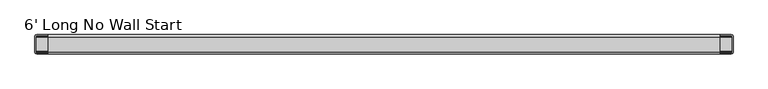
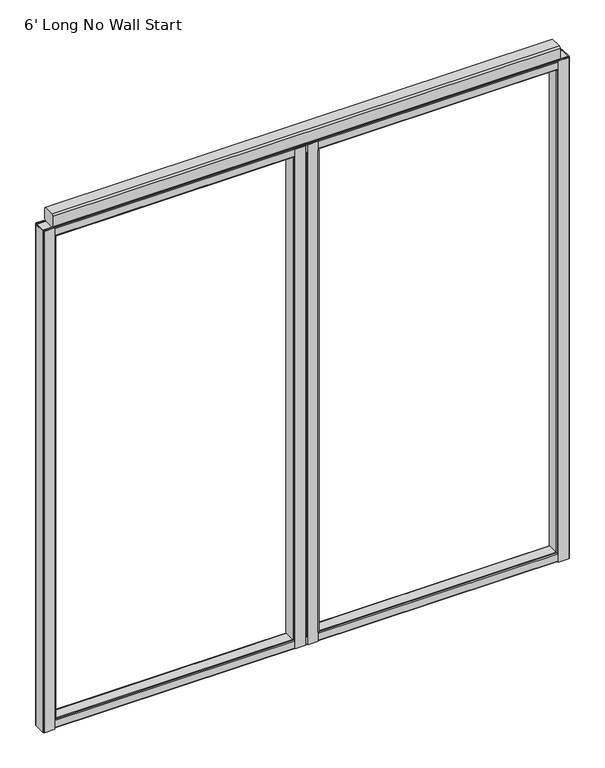
"""IFC4 building model written with IfcOpenShell, lengths in millimetres: furniture geometry, 6' Long No Wall Start."""

import ifcopenshell
import ifcopenshell.guid

model = None  # the IFC model being written
_history = None  # IfcOwnerHistory: only IFC2X3 demands one
_inside = {}  # id of a spatial element -> (the spatial element, [elements in it])
_under = {}  # id of a project, library or spatial element -> (it, [spatial elements below it])
_declared = {}  # id of a project -> (the project, [libraries it declares])
_typed = {}  # id of a type object -> (the type object, [elements of that type])
_made_of = {}  # id of a material, layer set ... -> (it, [elements and type objects made of it])


def new_model(schema):
    """Start an empty IFC model of exactly this schema.

    Asked for "IFC4X3", IfcOpenShell would pick the latest addendum, in which some entities
    have other attributes; the version numbers below select the first issue.
    IFC2X3 requires an IfcOwnerHistory on every rooted entity: one is made here for all.
    """
    global model, _history
    if schema == "IFC4X3":
        model = ifcopenshell.file(schema_version=(4, 3, 0, 0))
    else:
        model = ifcopenshell.file(schema=schema)
    _inside.clear()
    _under.clear()
    _declared.clear()
    _typed.clear()
    _made_of.clear()
    _history = None
    if model.schema == "IFC2X3":
        org = make("IfcOrganization", Name="unknown")
        user = make(
            "IfcPersonAndOrganization",
            ThePerson=make("IfcPerson", FamilyName="unknown"),
            TheOrganization=org,
        )
        app = make(
            "IfcApplication",
            ApplicationDeveloper=org,
            Version="unknown",
            ApplicationFullName="unknown",
            ApplicationIdentifier="unknown",
        )
        _history = make(
            "IfcOwnerHistory",
            OwningUser=user,
            OwningApplication=app,
            ChangeAction="ADDED",
            CreationDate=0,
        )
    return model


def make(cls, **values):
    """One entity of the class cls with the attributes given. An attribute that is None is left unset."""
    return model.create_entity(
        cls, **{name: value for name, value in values.items() if value is not None}
    )


def rooted(cls, **values):
    """An entity with a GlobalId (a new one), such as an element, a storey or a relation."""
    return make(cls, GlobalId=ifcopenshell.guid.new(), OwnerHistory=_history, **values)


def si_unit(unit_type, name, prefix=None):
    """IfcSIUnit, for example si_unit("LENGTHUNIT", "METRE", prefix="MILLI")."""
    return make("IfcSIUnit", UnitType=unit_type, Prefix=prefix, Name=name)


def assignment(units):
    """IfcUnitAssignment: the units of a project."""
    return None if units is None else make("IfcUnitAssignment", Units=units)


def point(xyz):
    """IfcCartesianPoint."""
    return None if xyz is None else make("IfcCartesianPoint", Coordinates=xyz)


def direction(xyz):
    """IfcDirection."""
    return None if xyz is None else make("IfcDirection", DirectionRatios=xyz)


def frame(location, z_axis=None, x_axis=None):
    """IfcAxis2Placement3D, a coordinate frame: its origin and axes. An axis left out is left unset."""
    return make(
        "IfcAxis2Placement3D",
        Location=point(location),
        Axis=direction(z_axis),
        RefDirection=direction(x_axis),
    )


def origin():
    """The frame at (0, 0, 0) with its axes left unset."""
    return frame((0.0, 0.0, 0.0))


def place(relative_to, where):
    """IfcLocalPlacement: puts the frame where relative to a parent placement (None: the world)."""
    return make(
        "IfcLocalPlacement", PlacementRelTo=relative_to, RelativePlacement=where
    )


def context(
    kind, dimensions, precision=None, world=None, true_north=None, identifier=None
):
    """IfcGeometricRepresentationContext, for example the 3D "Model" context."""
    return make(
        "IfcGeometricRepresentationContext",
        ContextIdentifier=identifier,
        ContextType=kind,
        CoordinateSpaceDimension=dimensions,
        Precision=precision,
        WorldCoordinateSystem=world,
        TrueNorth=true_north,
    )


def project(units=None, contexts=None):
    """IfcProject with its units and contexts."""
    return rooted(
        "IfcProject",
        Name="project",
        RepresentationContexts=contexts,
        UnitsInContext=assignment(units),
    )


def spatial(cls, under=None, at=None, **own):
    """A site, building, storey or space (cls), placed at a placement, below another one or the project."""
    s = rooted(cls, ObjectPlacement=at, **own)
    if under is not None:
        _under.setdefault(under.id(), (under, []))[1].append(s)
    return s


def polyline(points):
    """IfcPolyline through the points."""
    return make("IfcPolyline", Points=[point(p) for p in points])


def outline(outer, holes=None, kind="AREA"):
    """IfcArbitraryClosedProfileDef: a profile drawn as a closed curve; with holes, ...WithVoids."""
    if holes is None:
        return make("IfcArbitraryClosedProfileDef", ProfileType=kind, OuterCurve=outer)
    return make(
        "IfcArbitraryProfileDefWithVoids",
        ProfileType=kind,
        OuterCurve=outer,
        InnerCurves=holes,
    )


def extrude(swept, where, along, depth):
    """IfcExtrudedAreaSolid: the profile swept, set in the frame where, extruded along a direction by depth."""
    return make(
        "IfcExtrudedAreaSolid",
        SweptArea=swept,
        Position=where,
        ExtrudedDirection=direction(along),
        Depth=depth,
    )


def faces_of(points, faces, orient=None, outer=None):
    """IfcFace entities. A face is a list of loops; a loop is a list of indices into points, from 0.

    orient and outer hold one flag for each loop. By default every Orientation is true, the
    first loop of a face is its IfcFaceOuterBound and the others are IfcFaceBound.
    """
    made = []
    for i, loops in enumerate(faces):
        bounds = []
        for j, loop in enumerate(loops):
            is_outer = j == 0 if outer is None else outer[i][j]
            bounds.append(
                make(
                    "IfcFaceOuterBound" if is_outer else "IfcFaceBound",
                    Bound=make("IfcPolyLoop", Polygon=[points[k] for k in loop]),
                    Orientation=True if orient is None else orient[i][j],
                )
            )
        made.append(make("IfcFace", Bounds=bounds))
    return made


def faceted_brep(points, faces, orient=None, outer=None, voids=None):
    """IfcFacetedBrep: a solid bounded by flat faces; with voids (closed shells), ...WithVoids."""
    shared = [point(p) for p in points]
    hull = make("IfcClosedShell", CfsFaces=faces_of(shared, faces, orient, outer))
    if voids is None:
        return make("IfcFacetedBrep", Outer=hull)
    return make(
        "IfcFacetedBrepWithVoids",
        Outer=hull,
        Voids=[
            make(cls, CfsFaces=faces_of(shared, fs, o, b)) for cls, fs, o, b in voids
        ],
    )


def shape(context_of_items, identifier, shape_type, items):
    """IfcShapeRepresentation: the items that make up one representation, for example the "Body"."""
    return make(
        "IfcShapeRepresentation",
        ContextOfItems=context_of_items,
        RepresentationIdentifier=identifier,
        RepresentationType=shape_type,
        Items=items,
    )


def source(mapping_origin, context_of_items, identifier, shape_type, items):
    """IfcRepresentationMap: a shape defined once, which mapped items show again and again."""
    return make(
        "IfcRepresentationMap",
        MappingOrigin=mapping_origin,
        MappedRepresentation=shape(context_of_items, identifier, shape_type, items),
    )


def transform(
    local_origin,
    x_axis=None,
    y_axis=None,
    z_axis=None,
    scale=None,
    scale2=None,
    scale3=None,
    uniform=True,
):
    """IfcCartesianTransformationOperator3D, or its non-uniform kind. x_axis, y_axis, z_axis: its Axis1, 2, 3."""
    if uniform:
        return make(
            "IfcCartesianTransformationOperator3D",
            Axis1=direction(x_axis),
            Axis2=direction(y_axis),
            LocalOrigin=point(local_origin),
            Scale=scale,
            Axis3=direction(z_axis),
        )
    return make(
        "IfcCartesianTransformationOperator3DnonUniform",
        Axis1=direction(x_axis),
        Axis2=direction(y_axis),
        LocalOrigin=point(local_origin),
        Scale=scale,
        Axis3=direction(z_axis),
        Scale2=scale2,
        Scale3=scale3,
    )


def mapped(mapping_source, mapping_target):
    """IfcMappedItem: shows the shape of a source again, moved by a transform."""
    return make(
        "IfcMappedItem", MappingSource=mapping_source, MappingTarget=mapping_target
    )


def made_of(thing, what):
    """Note that an element or type object is made of a material, layer set ...; save() writes the relation."""
    if what is not None:
        _made_of.setdefault(what.id(), (what, []))[1].append(thing)
    return thing


def element(
    cls,
    number,
    at=None,
    inside=None,
    cuts=None,
    type_object=None,
    material=None,
    context=None,
    identifier="Body",
    shape_type=None,
    held_by="IfcProductDefinitionShape",
    body=None,
    shapes=None,
    **own,
):
    """One element of the class cls, such as IfcWall. Its Tag is "e" and its number.

    at: its placement. inside: the storey or other place that contains it. cuts: it is an
    opening in that element (IfcRelVoidsElement). A single representation is given by context,
    identifier, shape_type and body (its items); several are given by shapes. held_by: the class
    of the entity that holds the representations. save() writes the other relations.
    """
    e = rooted(cls, Tag="e%d" % number, ObjectPlacement=at, **own)
    if body is not None:
        shapes = [shape(context, identifier, shape_type, body)]
    if shapes is not None:
        e.Representation = make(held_by, Representations=shapes)
    if inside is not None:
        _inside.setdefault(inside.id(), (inside, []))[1].append(e)
    if cuts is not None:
        rooted(
            "IfcRelVoidsElement", RelatingBuildingElement=cuts, RelatedOpeningElement=e
        )
    if type_object is not None:
        _typed.setdefault(type_object.id(), (type_object, []))[1].append(e)
    return made_of(e, material)


def aggregate(whole, parts):
    """IfcRelAggregates: a whole, such as a stair, and the parts it consists of."""
    return rooted("IfcRelAggregates", RelatingObject=whole, RelatedObjects=parts)


def save(model, path):
    """Write the relations noted so far, then the file.

    IfcRelAggregates (storeys below a building ...), IfcRelContainedInSpatialStructure (elements
    in a storey), IfcRelDefinesByType, IfcRelAssociatesMaterial and IfcRelDeclares: one each for
    every whole, place, type object, material and project.
    """
    for whole, parts in _under.values():
        aggregate(whole, parts)
    for where, things in _inside.values():
        rooted(
            "IfcRelContainedInSpatialStructure",
            RelatedElements=things,
            RelatingStructure=where,
        )
    for kind, things in _typed.values():
        rooted("IfcRelDefinesByType", RelatedObjects=things, RelatingType=kind)
    for what, things in _made_of.values():
        rooted("IfcRelAssociatesMaterial", RelatedObjects=things, RelatingMaterial=what)
    for by, libraries in _declared.values():
        rooted("IfcRelDeclares", RelatingContext=by, RelatedDefinitions=libraries)
    model.write(path)


def furniture_6_long_no_wall_start_e1e6c13e(model_context):
    return source(origin(), model_context, "Body", "SolidModel", [
        faceted_brep([(909.9042, 25.4, 1937.6408515), (874.4458, 25.4, 1937.6408515), (874.4458, 23.1181008, 1937.6408515), (874.8651471, 23.2918, 1937.6408515), (909.4848529, 23.2918, 1937.6408515), (909.9042, 23.1181008, 1937.6408515), (874.4458, -25.4, 1937.6408515), (909.9042, -25.4, 1937.6408515), (909.9042, -23.1181008, 1937.6408515), (909.4848529, -23.2918, 1937.6408515), (874.8651471, -23.2918, 1937.6408515), (874.4458, -23.1181008, 1937.6408515), (909.9042, -25.4, 104.7768515), (874.4458, -25.4, 104.7768515), (874.4458, -23.1181008, 104.7768515), (874.8651471, -23.2918, 104.7768515), (909.4848529, -23.2918, 104.7768515), (909.9042, -23.1181008, 104.7768515), (874.4458, 25.4, 104.7768515), (909.9042, 25.4, 104.7768515), (909.9042, 23.1181008, 104.7768515), (909.4848529, 23.2918, 104.7768515), (874.8651471, 23.2918, 104.7768515), (874.4458, 23.1181008, 104.7768515), (869.95, -20.9042, 1905.6368515), (869.95, 20.9042, 1905.6368515), (869.95, 20.9042, 136.7808515), (869.95, -20.9042, 136.7808515), (874.4458, -25.4, 1905.6368515), (874.4458, -25.4, 136.7808515), (909.9042, -25.4, 136.7808515), (909.9042, -25.4, 1905.6368515), (914.4, -20.9042, 136.7808515), (914.4, 20.9042, 136.7808515), (914.4, 20.9042, 1905.6368515), (914.4, -20.9042, 1905.6368515), (909.9042, 25.4, 1905.6368515), (909.9042, 25.4, 136.7808515), (874.4458, 25.4, 136.7808515), (874.4458, 25.4, 1905.6368515), (871.2667893, 24.0832107, 1905.6368515), (871.2667893, 24.0832107, 136.7808515), (871.2667893, -24.0832107, 1905.6368515), (871.2667893, -24.0832107, 136.7808515), (913.0832107, -24.0832107, 136.7808515), (913.0832107, -24.0832107, 1905.6368515), (913.0832107, 24.0832107, 136.7808515), (913.0832107, 24.0832107, 1905.6368515), (872.0582, 20.4848529, 1905.6368515), (872.0582, -20.4848529, 1905.6368515), (872.0582, -20.4848529, 136.7808515), (872.0582, 20.4848529, 136.7808515), (872.8803358, 22.4696642, 1905.6368515), (872.8803358, 22.4696642, 136.7808515), (874.4458, 23.1181008, 1905.6368515), (874.4458, 23.1181008, 136.7808515), (909.9042, 23.1181008, 136.7808515), (911.4696642, 22.4696642, 136.7808515), (911.4696642, 22.4696642, 1905.6368515), (909.9042, 23.1181008, 1905.6368515), (912.2918, 20.4848529, 136.7808515), (912.2918, 20.4848529, 1905.6368515), (912.2918, -20.4848529, 136.7808515), (912.2918, -20.4848529, 1905.6368515), (911.4696642, -22.4696642, 136.7808515), (911.4696642, -22.4696642, 1905.6368515), (909.9042, -23.1181008, 1905.6368515), (909.9042, -23.1181008, 136.7808515), (874.4458, -23.1181008, 136.7808515), (872.8803358, -22.4696642, 136.7808515), (872.8803358, -22.4696642, 1905.6368515), (874.4458, -23.1181008, 1905.6368515)], [[[0, 1, 2, 3, 4, 5]], [[6, 7, 8, 9, 10, 11]], [[12, 13, 14, 15, 16, 17]], [[18, 19, 20, 21, 22, 23]], [[24, 25, 26, 27]], [[7, 6, 28, 29, 13, 12, 30, 31]], [[32, 33, 34, 35]], [[1, 0, 36, 37, 19, 18, 38, 39]], [[40, 39, 38, 41]], [[25, 40, 41, 26]], [[42, 24, 27, 43]], [[28, 42, 43, 29]], [[30, 44, 45, 31]], [[44, 32, 35, 45]], [[33, 46, 47, 34]], [[46, 37, 36, 47]], [[48, 49, 50, 51]], [[52, 48, 51, 53]], [[22, 3, 2, 54, 52, 53, 55, 23]], [[4, 3, 22, 21]], [[4, 21, 20, 56, 57, 58, 59, 5]], [[57, 60, 61, 58]], [[60, 62, 63, 61]], [[62, 64, 65, 63]], [[16, 9, 8, 66, 65, 64, 67, 17]], [[10, 9, 16, 15]], [[10, 15, 14, 68, 69, 70, 71, 11]], [[49, 70, 69, 50]], [[54, 39, 40, 25, 24, 42, 28, 71, 70, 49, 48, 52]], [[39, 54, 2, 1]], [[71, 28, 6, 11]], [[38, 55, 53, 51, 50, 69, 68, 29, 43, 27, 26, 41]], [[55, 38, 18, 23]], [[29, 68, 14, 13]], [[56, 37, 46, 33, 32, 44, 30, 67, 64, 62, 60, 57]], [[37, 56, 20, 19]], [[67, 30, 12, 17]], [[36, 59, 58, 61, 63, 65, 66, 31, 45, 35, 34, 47]], [[59, 36, 0, 5]], [[31, 66, 8, 7]]]),
        faceted_brep([(954.3542, 25.4, 1937.6408515), (918.8958, 25.4, 1937.6408515), (918.8958, 23.1181008, 1937.6408515), (919.3151471, 23.2918, 1937.6408515), (953.9348529, 23.2918, 1937.6408515), (954.3542, 23.1181008, 1937.6408515), (918.8958, -25.4, 1937.6408515), (954.3542, -25.4, 1937.6408515), (954.3542, -23.1181008, 1937.6408515), (953.9348529, -23.2918, 1937.6408515), (919.3151471, -23.2918, 1937.6408515), (918.8958, -23.1181008, 1937.6408515), (954.3542, -25.4, 104.7768515), (918.8958, -25.4, 104.7768515), (918.8958, -23.1181008, 104.7768515), (919.3151471, -23.2918, 104.7768515), (953.9348529, -23.2918, 104.7768515), (954.3542, -23.1181008, 104.7768515), (918.8958, 25.4, 104.7768515), (954.3542, 25.4, 104.7768515), (954.3542, 23.1181008, 104.7768515), (953.9348529, 23.2918, 104.7768515), (919.3151471, 23.2918, 104.7768515), (918.8958, 23.1181008, 104.7768515), (958.85, 20.9042, 1905.6368515), (958.85, -20.9042, 1905.6368515), (958.85, -20.9042, 136.7808515), (958.85, 20.9042, 136.7808515), (918.8958, -25.4, 1905.6368515), (918.8958, -25.4, 136.7808515), (954.3542, -25.4, 136.7808515), (954.3542, -25.4, 1905.6368515), (914.4, -20.9042, 1905.6368515), (914.4, 20.9042, 1905.6368515), (914.4, 20.9042, 136.7808515), (914.4, -20.9042, 136.7808515), (954.3542, 25.4, 1905.6368515), (954.3542, 25.4, 136.7808515), (918.8958, 25.4, 136.7808515), (918.8958, 25.4, 1905.6368515), (957.5332107, 24.0832107, 1905.6368515), (957.5332107, 24.0832107, 136.7808515), (957.5332107, -24.0832107, 1905.6368515), (957.5332107, -24.0832107, 136.7808515), (915.7167893, -24.0832107, 1905.6368515), (915.7167893, -24.0832107, 136.7808515), (915.7167893, 24.0832107, 1905.6368515), (915.7167893, 24.0832107, 136.7808515), (956.7418, -20.4848529, 1905.6368515), (956.7418, 20.4848529, 1905.6368515), (956.7418, 20.4848529, 136.7808515), (956.7418, -20.4848529, 136.7808515), (955.9196642, 22.4696642, 1905.6368515), (955.9196642, 22.4696642, 136.7808515), (954.3542, 23.1181008, 136.7808515), (954.3542, 23.1181008, 1905.6368515), (918.8958, 23.1181008, 1905.6368515), (917.3303358, 22.4696642, 1905.6368515), (917.3303358, 22.4696642, 136.7808515), (918.8958, 23.1181008, 136.7808515), (916.5082, 20.4848529, 1905.6368515), (916.5082, 20.4848529, 136.7808515), (916.5082, -20.4848529, 1905.6368515), (916.5082, -20.4848529, 136.7808515), (917.3303358, -22.4696642, 1905.6368515), (917.3303358, -22.4696642, 136.7808515), (918.8958, -23.1181008, 136.7808515), (918.8958, -23.1181008, 1905.6368515), (954.3542, -23.1181008, 1905.6368515), (955.9196642, -22.4696642, 1905.6368515), (955.9196642, -22.4696642, 136.7808515), (954.3542, -23.1181008, 136.7808515)], [[[0, 1, 2, 3, 4, 5]], [[6, 7, 8, 9, 10, 11]], [[12, 13, 14, 15, 16, 17]], [[18, 19, 20, 21, 22, 23]], [[24, 25, 26, 27]], [[7, 6, 28, 29, 13, 12, 30, 31]], [[32, 33, 34, 35]], [[1, 0, 36, 37, 19, 18, 38, 39]], [[36, 40, 41, 37]], [[40, 24, 27, 41]], [[25, 42, 43, 26]], [[42, 31, 30, 43]], [[28, 44, 45, 29]], [[44, 32, 35, 45]], [[33, 46, 47, 34]], [[46, 39, 38, 47]], [[48, 49, 50, 51]], [[49, 52, 53, 50]], [[4, 21, 20, 54, 53, 52, 55, 5]], [[4, 3, 22, 21]], [[22, 3, 2, 56, 57, 58, 59, 23]], [[57, 60, 61, 58]], [[60, 62, 63, 61]], [[62, 64, 65, 63]], [[10, 15, 14, 66, 65, 64, 67, 11]], [[10, 9, 16, 15]], [[16, 9, 8, 68, 69, 70, 71, 17]], [[69, 48, 51, 70]], [[36, 55, 52, 49, 48, 69, 68, 31, 42, 25, 24, 40]], [[55, 36, 0, 5]], [[31, 68, 8, 7]], [[54, 37, 41, 27, 26, 43, 30, 71, 70, 51, 50, 53]], [[37, 54, 20, 19]], [[71, 30, 12, 17]], [[56, 39, 46, 33, 32, 44, 28, 67, 64, 62, 60, 57]], [[39, 56, 2, 1]], [[67, 28, 6, 11]], [[38, 59, 58, 61, 63, 65, 66, 29, 45, 35, 34, 47]], [[59, 38, 18, 23]], [[29, 66, 14, 13]]]),
        faceted_brep([(39.9542, 25.4, 1940.56), (4.4958, 25.4, 1940.56), (1.3167893, 24.0832107, 1940.56), (0.0, 20.9042, 1940.56), (0.0, -20.9042, 1940.56), (1.3167893, -24.0832107, 1940.56), (4.4958, -25.4, 1940.56), (39.9542, -25.4, 1940.56), (39.9542, -23.1181008, 1940.56), (39.5348529, -23.2918, 1940.56), (4.9151471, -23.2918, 1940.56), (2.9303358, -22.4696642, 1940.56), (2.1082, -20.4848529, 1940.56), (2.1082, 20.4848529, 1940.56), (2.9303358, 22.4696642, 1940.56), (4.9151471, 23.2918, 1940.56), (39.5348529, 23.2918, 1940.56), (39.9542, 23.1181008, 1940.56), (39.9542, -25.4, 101.6), (4.4958, -25.4, 101.6), (1.3167893, -24.0832107, 101.6), (0.0, -20.9042, 101.6), (0.0, 20.9042, 101.6), (1.3167893, 24.0832107, 101.6), (4.4958, 25.4, 101.6), (39.9542, 25.4, 101.6), (39.9542, 23.1181008, 101.6), (39.5348529, 23.2918, 101.6), (4.9151471, 23.2918, 101.6), (2.9303358, 22.4696642, 101.6), (2.1082, 20.4848529, 101.6), (2.1082, -20.4848529, 101.6), (2.9303358, -22.4696642, 101.6), (4.9151471, -23.2918, 101.6), (39.5348529, -23.2918, 101.6), (39.9542, -23.1181008, 101.6), (44.45, 20.9042, 1905.635), (44.45, -20.9042, 1905.635), (44.45, -20.9042, 136.525), (44.45, 20.9042, 136.525), (39.9542, -25.4, 136.525), (39.9542, -25.4, 1905.635), (39.9542, 25.4, 1905.635), (39.9542, 25.4, 136.525), (43.1332107, 24.0832107, 1905.635), (43.1332107, 24.0832107, 136.525), (43.1332107, -24.0832107, 1905.635), (43.1332107, -24.0832107, 136.525), (42.3418, -20.4848529, 1905.635), (42.3418, 20.4848529, 1905.635), (42.3418, 20.4848529, 136.525), (42.3418, -20.4848529, 136.525), (41.5196642, 22.4696642, 1905.635), (41.5196642, 22.4696642, 136.525), (39.9542, 23.1181008, 136.525), (39.9542, 23.1181008, 1905.635), (39.9542, -23.1181008, 1905.635), (41.5196642, -22.4696642, 1905.635), (41.5196642, -22.4696642, 136.525), (39.9542, -23.1181008, 136.525)], [[[0, 1, 2, 3, 4, 5, 6, 7, 8, 9, 10, 11, 12, 13, 14, 15, 16, 17]], [[18, 19, 20, 21, 22, 23, 24, 25, 26, 27, 28, 29, 30, 31, 32, 33, 34, 35]], [[36, 37, 38, 39]], [[7, 6, 19, 18, 40, 41]], [[4, 3, 22, 21]], [[1, 0, 42, 43, 25, 24]], [[42, 44, 45, 43]], [[44, 36, 39, 45]], [[37, 46, 47, 38]], [[46, 41, 40, 47]], [[6, 5, 20, 19]], [[5, 4, 21, 20]], [[3, 2, 23, 22]], [[2, 1, 24, 23]], [[48, 49, 50, 51]], [[49, 52, 53, 50]], [[16, 27, 26, 54, 53, 52, 55, 17]], [[16, 15, 28, 27]], [[15, 14, 29, 28]], [[14, 13, 30, 29]], [[13, 12, 31, 30]], [[12, 11, 32, 31]], [[11, 10, 33, 32]], [[10, 9, 34, 33]], [[34, 9, 8, 56, 57, 58, 59, 35]], [[57, 48, 51, 58]], [[42, 55, 52, 49, 48, 57, 56, 41, 46, 37, 36, 44]], [[55, 42, 0, 17]], [[41, 56, 8, 7]], [[54, 43, 45, 39, 38, 47, 40, 59, 58, 51, 50, 53]], [[43, 54, 26, 25]], [[59, 40, 18, 35]]]),
        faceted_brep([(1788.8458, -25.4, 1940.56), (1824.3042, -25.4, 1940.56), (1827.4832107, -24.0832107, 1940.56), (1828.8, -20.9042, 1940.56), (1828.8, 20.9042, 1940.56), (1827.4832107, 24.0832107, 1940.56), (1824.3042, 25.4, 1940.56), (1788.8458, 25.4, 1940.56), (1788.8458, 23.1181008, 1940.56), (1789.2651471, 23.2918, 1940.56), (1823.8848529, 23.2918, 1940.56), (1825.8696642, 22.4696642, 1940.56), (1826.6918, 20.4848529, 1940.56), (1826.6918, -20.4848529, 1940.56), (1825.8696642, -22.4696642, 1940.56), (1823.8848529, -23.2918, 1940.56), (1789.2651471, -23.2918, 1940.56), (1788.8458, -23.1181008, 1940.56), (1788.8458, 25.4, 101.6), (1824.3042, 25.4, 101.6), (1827.4832107, 24.0832107, 101.6), (1828.8, 20.9042, 101.6), (1828.8, -20.9042, 101.6), (1827.4832107, -24.0832107, 101.6), (1824.3042, -25.4, 101.6), (1788.8458, -25.4, 101.6), (1788.8458, -23.1181008, 101.6), (1789.2651471, -23.2918, 101.6), (1823.8848529, -23.2918, 101.6), (1825.8696642, -22.4696642, 101.6), (1826.6918, -20.4848529, 101.6), (1826.6918, 20.4848529, 101.6), (1825.8696642, 22.4696642, 101.6), (1823.8848529, 23.2918, 101.6), (1789.2651471, 23.2918, 101.6), (1788.8458, 23.1181008, 101.6), (1784.35, -20.9042, 1905.635), (1784.35, 20.9042, 1905.635), (1784.35, 20.9042, 136.525), (1784.35, -20.9042, 136.525), (1788.8458, -25.4, 1905.635), (1788.8458, -25.4, 136.525), (1788.8458, 25.4, 136.525), (1788.8458, 25.4, 1905.635), (1785.6667893, 24.0832107, 1905.635), (1785.6667893, 24.0832107, 136.525), (1785.6667893, -24.0832107, 1905.635), (1785.6667893, -24.0832107, 136.525), (1786.4582, 20.4848529, 1905.635), (1786.4582, -20.4848529, 1905.635), (1786.4582, -20.4848529, 136.525), (1786.4582, 20.4848529, 136.525), (1787.2803358, 22.4696642, 1905.635), (1787.2803358, 22.4696642, 136.525), (1788.8458, 23.1181008, 1905.635), (1788.8458, 23.1181008, 136.525), (1788.8458, -23.1181008, 136.525), (1787.2803358, -22.4696642, 136.525), (1787.2803358, -22.4696642, 1905.635), (1788.8458, -23.1181008, 1905.635)], [[[0, 1, 2, 3, 4, 5, 6, 7, 8, 9, 10, 11, 12, 13, 14, 15, 16, 17]], [[18, 19, 20, 21, 22, 23, 24, 25, 26, 27, 28, 29, 30, 31, 32, 33, 34, 35]], [[36, 37, 38, 39]], [[1, 0, 40, 41, 25, 24]], [[4, 3, 22, 21]], [[7, 6, 19, 18, 42, 43]], [[44, 43, 42, 45]], [[37, 44, 45, 38]], [[46, 36, 39, 47]], [[40, 46, 47, 41]], [[2, 1, 24, 23]], [[3, 2, 23, 22]], [[5, 4, 21, 20]], [[6, 5, 20, 19]], [[48, 49, 50, 51]], [[52, 48, 51, 53]], [[34, 9, 8, 54, 52, 53, 55, 35]], [[10, 9, 34, 33]], [[11, 10, 33, 32]], [[12, 11, 32, 31]], [[13, 12, 31, 30]], [[14, 13, 30, 29]], [[15, 14, 29, 28]], [[16, 15, 28, 27]], [[16, 27, 26, 56, 57, 58, 59, 17]], [[49, 58, 57, 50]], [[54, 43, 44, 37, 36, 46, 40, 59, 58, 49, 48, 52]], [[43, 54, 8, 7]], [[59, 40, 0, 17]], [[42, 55, 53, 51, 50, 57, 56, 41, 47, 39, 38, 45]], [[55, 42, 18, 35]], [[41, 56, 26, 25]]]),
        extrude(outline(polyline([(-18.7325958, 101.6), (-21.884598, 102.905602), (-23.1902, 106.0576042), (-23.1902, 132.0673958), (-21.884598, 135.219398), (-18.7325958, 136.525), (18.7325958, 136.525), (21.884598, 135.219398), (23.1902, 132.0673958), (23.1902, 106.0576042), (21.884598, 102.905602), (18.7325958, 101.6), (-18.7325958, 101.6)]), holes=[polyline([(-18.3132488, 103.7082), (18.3132488, 103.7082), (20.2710515, 104.5191485), (21.082, 106.4769512), (21.082, 131.6480488), (20.2710515, 133.6058515), (18.3132488, 134.4168), (-18.3132488, 134.4168), (-20.2710515, 133.6058515), (-21.082, 131.6480488), (-21.082, 106.4769512), (-20.2710515, 104.5191485), (-18.3132488, 103.7082)])]), frame((2.1082, 0.0, 0.0), z_axis=(1.0, 0.0, 0.0), x_axis=(0.0, 1.0, 0.0)), (0.0, 0.0, 1.0), 1824.5836),
        extrude(outline(polyline([(-18.7325958, 1940.56), (18.7325958, 1940.56), (21.884598, 1939.254398), (23.1902, 1936.1023958), (23.1902, 1910.0926042), (21.884598, 1906.940602), (18.7325958, 1905.635), (-18.7325958, 1905.635), (-21.884598, 1906.940602), (-23.1902, 1910.0926042), (-23.1902, 1936.1023958), (-21.884598, 1939.254398), (-18.7325958, 1940.56)]), holes=[polyline([(-18.3132488, 1938.4518), (-20.2710515, 1937.6408515), (-21.082, 1935.6830488), (-21.082, 1910.5119512), (-20.2710515, 1908.5541485), (-18.3132488, 1907.7432), (18.3132488, 1907.7432), (20.2710515, 1908.5541485), (21.082, 1910.5119512), (21.082, 1935.6830488), (20.2710515, 1937.6408515), (18.3132488, 1938.4518), (-18.3132488, 1938.4518)])]), frame((2.1082, 0.0, 0.0), z_axis=(1.0, 0.0, 0.0), x_axis=(0.0, 1.0, 0.0)), (0.0, 0.0, 1.0), 1824.5836),
        extrude(outline(polyline([(19.908865, 1991.36), (25.4, 1985.868865), (25.4, 1946.051135), (19.908865, 1940.56), (-19.908865, 1940.56), (-25.4, 1946.051135), (-25.4, 1985.868865), (-19.908865, 1991.36), (19.908865, 1991.36)])), frame((34.5948, 0.0, 0.0), z_axis=(1.0, 0.0, 0.0), x_axis=(0.0, 1.0, 0.0)), (0.0, 0.0, 1.0), 1759.6104),
    ])


if __name__ == "__main__":
    model = new_model("IFC4")
    model_context = context("Model", 3, world=origin())
    ifc_project = project(units=[si_unit("LENGTHUNIT", "METRE", prefix="MILLI")], contexts=[model_context])
    site = spatial("IfcSite", under=ifc_project)
    building = spatial("IfcBuilding", under=site)
    placement = place(None, origin())
    furniture_6_long_no_wall_start_shape = furniture_6_long_no_wall_start_e1e6c13e(model_context)
    element("IfcFurniture", 1, ObjectType="6' Long No Wall Start", at=placement, inside=building, context=model_context, shape_type="MappedRepresentation", body=[
        mapped(furniture_6_long_no_wall_start_shape, transform((0.0, 0.0, 0.0), x_axis=(1.0, 0.0, 0.0), y_axis=(0.0, 1.0, 0.0), z_axis=(0.0, 0.0, 1.0))),
    ])
    save(model, "model.ifc")
